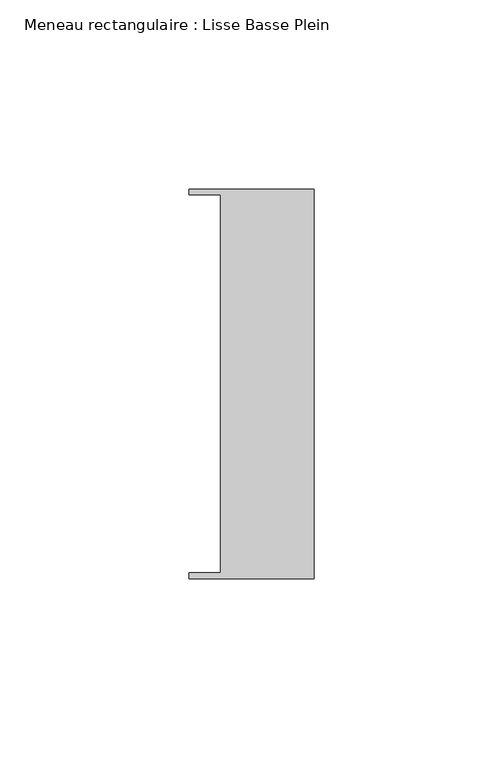
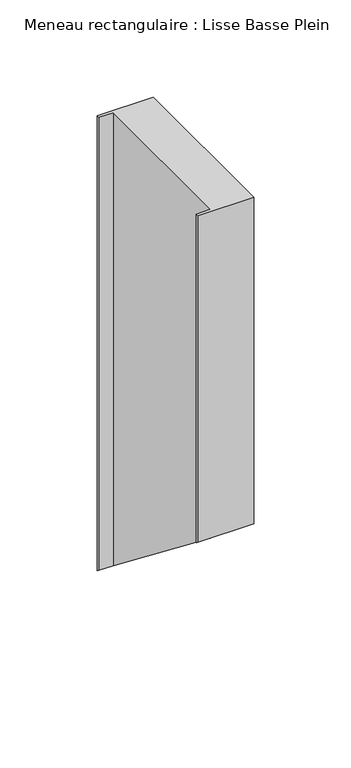
"""IFC4 building model written with IfcOpenShell, lengths in millimetres: member geometry, Meneau rectangulaire : Lisse Basse Plein."""

from ifc_helpers import new_model, si_unit, origin, place, context, project, spatial, faceted_brep, source, transform, mapped, element, save


def meneau_rectangulaire_lisse_basse_plein_d599f117(model_context):
    return source(origin(), model_context, "Body", "Brep", [
        faceted_brep([(0.0, -51.5026203, 0.0), (0.0, 51.5026203, 0.0), (-33.0710396, 51.5026203, 0.0), (-33.0710396, 49.9505686, 0.0), (-24.7130865, 49.9505686, 0.0), (-24.7130865, -49.9505686, 0.0), (-33.0710396, -49.9505686, 0.0), (-33.0710396, -51.5026203, 0.0), (0.0, -51.5026203, -204.8413731), (0.0, 51.5026203, -285.1565427), (-33.0710396, 51.5026203, -285.1565427), (-33.0710396, 49.9505686, -283.9463781), (-24.7130865, 49.9505686, -283.9463781), (-24.7130865, -49.9505686, -206.0515376), (-33.0710396, -49.9505686, -206.0515376), (-33.0710396, -51.5026203, -204.8413731)], [[[0, 1, 2, 3, 4, 5, 6, 7]], [[1, 0, 8, 9]], [[2, 1, 9, 10]], [[3, 2, 10, 11]], [[4, 3, 11, 12]], [[5, 4, 12, 13]], [[6, 5, 13, 14]], [[7, 6, 14, 15]], [[0, 7, 15, 8]], [[8, 15, 14, 13, 12, 11, 10, 9]]]),
    ])


if __name__ == "__main__":
    model = new_model("IFC4")
    model_context = context("Model", 3, world=origin())
    ifc_project = project(units=[si_unit("LENGTHUNIT", "METRE", prefix="MILLI")], contexts=[model_context])
    site = spatial("IfcSite", under=ifc_project)
    building = spatial("IfcBuilding", under=site)
    placement = place(None, origin())
    meneau_rectangulaire_lisse_basse_plein_shape = meneau_rectangulaire_lisse_basse_plein_d599f117(model_context)
    element("IfcMember", 1, ObjectType="Meneau rectangulaire : Lisse Basse Plein", at=placement, inside=building, context=model_context, shape_type="MappedRepresentation", body=[
        mapped(meneau_rectangulaire_lisse_basse_plein_shape, transform((0.0, 0.0, 0.0), x_axis=(1.0, 0.0, 0.0), y_axis=(0.0, 1.0, 0.0), z_axis=(0.0, 0.0, 1.0))),
    ])
    save(model, "model.ifc")
